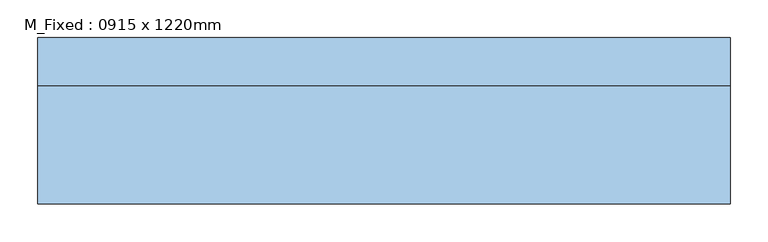
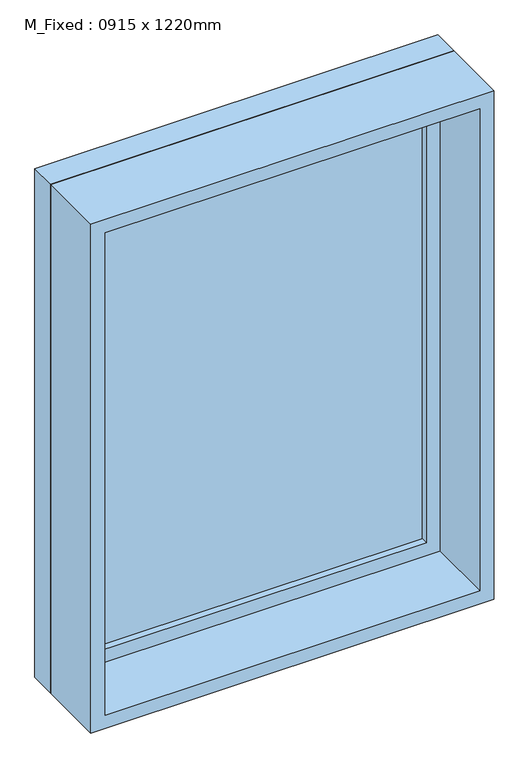
"""IFC4 building model written with IfcOpenShell, lengths in millimetres: window geometry, M_Fixed : 0915 x 1220mm."""

import ifcopenshell
import ifcopenshell.guid

model = None  # the IFC model being written
_history = None  # IfcOwnerHistory: only IFC2X3 demands one
_inside = {}  # id of a spatial element -> (the spatial element, [elements in it])
_under = {}  # id of a project, library or spatial element -> (it, [spatial elements below it])
_declared = {}  # id of a project -> (the project, [libraries it declares])
_typed = {}  # id of a type object -> (the type object, [elements of that type])
_made_of = {}  # id of a material, layer set ... -> (it, [elements and type objects made of it])


def new_model(schema):
    """Start an empty IFC model of exactly this schema.

    Asked for "IFC4X3", IfcOpenShell would pick the latest addendum, in which some entities
    have other attributes; the version numbers below select the first issue.
    IFC2X3 requires an IfcOwnerHistory on every rooted entity: one is made here for all.
    """
    global model, _history
    if schema == "IFC4X3":
        model = ifcopenshell.file(schema_version=(4, 3, 0, 0))
    else:
        model = ifcopenshell.file(schema=schema)
    _inside.clear()
    _under.clear()
    _declared.clear()
    _typed.clear()
    _made_of.clear()
    _history = None
    if model.schema == "IFC2X3":
        org = make("IfcOrganization", Name="unknown")
        user = make(
            "IfcPersonAndOrganization",
            ThePerson=make("IfcPerson", FamilyName="unknown"),
            TheOrganization=org,
        )
        app = make(
            "IfcApplication",
            ApplicationDeveloper=org,
            Version="unknown",
            ApplicationFullName="unknown",
            ApplicationIdentifier="unknown",
        )
        _history = make(
            "IfcOwnerHistory",
            OwningUser=user,
            OwningApplication=app,
            ChangeAction="ADDED",
            CreationDate=0,
        )
    return model


def make(cls, **values):
    """One entity of the class cls with the attributes given. An attribute that is None is left unset."""
    return model.create_entity(
        cls, **{name: value for name, value in values.items() if value is not None}
    )


def rooted(cls, **values):
    """An entity with a GlobalId (a new one), such as an element, a storey or a relation."""
    return make(cls, GlobalId=ifcopenshell.guid.new(), OwnerHistory=_history, **values)


def si_unit(unit_type, name, prefix=None):
    """IfcSIUnit, for example si_unit("LENGTHUNIT", "METRE", prefix="MILLI")."""
    return make("IfcSIUnit", UnitType=unit_type, Prefix=prefix, Name=name)


def assignment(units):
    """IfcUnitAssignment: the units of a project."""
    return None if units is None else make("IfcUnitAssignment", Units=units)


def point(xyz):
    """IfcCartesianPoint."""
    return None if xyz is None else make("IfcCartesianPoint", Coordinates=xyz)


def direction(xyz):
    """IfcDirection."""
    return None if xyz is None else make("IfcDirection", DirectionRatios=xyz)


def frame(location, z_axis=None, x_axis=None):
    """IfcAxis2Placement3D, a coordinate frame: its origin and axes. An axis left out is left unset."""
    return make(
        "IfcAxis2Placement3D",
        Location=point(location),
        Axis=direction(z_axis),
        RefDirection=direction(x_axis),
    )


def origin():
    """The frame at (0, 0, 0) with its axes left unset."""
    return frame((0.0, 0.0, 0.0))


def place(relative_to, where):
    """IfcLocalPlacement: puts the frame where relative to a parent placement (None: the world)."""
    return make(
        "IfcLocalPlacement", PlacementRelTo=relative_to, RelativePlacement=where
    )


def context(
    kind, dimensions, precision=None, world=None, true_north=None, identifier=None
):
    """IfcGeometricRepresentationContext, for example the 3D "Model" context."""
    return make(
        "IfcGeometricRepresentationContext",
        ContextIdentifier=identifier,
        ContextType=kind,
        CoordinateSpaceDimension=dimensions,
        Precision=precision,
        WorldCoordinateSystem=world,
        TrueNorth=true_north,
    )


def project(units=None, contexts=None):
    """IfcProject with its units and contexts."""
    return rooted(
        "IfcProject",
        Name="project",
        RepresentationContexts=contexts,
        UnitsInContext=assignment(units),
    )


def spatial(cls, under=None, at=None, **own):
    """A site, building, storey or space (cls), placed at a placement, below another one or the project."""
    s = rooted(cls, ObjectPlacement=at, **own)
    if under is not None:
        _under.setdefault(under.id(), (under, []))[1].append(s)
    return s


def polyline(points):
    """IfcPolyline through the points."""
    return make("IfcPolyline", Points=[point(p) for p in points])


def outline(outer, holes=None, kind="AREA"):
    """IfcArbitraryClosedProfileDef: a profile drawn as a closed curve; with holes, ...WithVoids."""
    if holes is None:
        return make("IfcArbitraryClosedProfileDef", ProfileType=kind, OuterCurve=outer)
    return make(
        "IfcArbitraryProfileDefWithVoids",
        ProfileType=kind,
        OuterCurve=outer,
        InnerCurves=holes,
    )


def extrude(swept, where, along, depth):
    """IfcExtrudedAreaSolid: the profile swept, set in the frame where, extruded along a direction by depth."""
    return make(
        "IfcExtrudedAreaSolid",
        SweptArea=swept,
        Position=where,
        ExtrudedDirection=direction(along),
        Depth=depth,
    )


def shape(context_of_items, identifier, shape_type, items):
    """IfcShapeRepresentation: the items that make up one representation, for example the "Body"."""
    return make(
        "IfcShapeRepresentation",
        ContextOfItems=context_of_items,
        RepresentationIdentifier=identifier,
        RepresentationType=shape_type,
        Items=items,
    )


def source(mapping_origin, context_of_items, identifier, shape_type, items):
    """IfcRepresentationMap: a shape defined once, which mapped items show again and again."""
    return make(
        "IfcRepresentationMap",
        MappingOrigin=mapping_origin,
        MappedRepresentation=shape(context_of_items, identifier, shape_type, items),
    )


def transform(
    local_origin,
    x_axis=None,
    y_axis=None,
    z_axis=None,
    scale=None,
    scale2=None,
    scale3=None,
    uniform=True,
):
    """IfcCartesianTransformationOperator3D, or its non-uniform kind. x_axis, y_axis, z_axis: its Axis1, 2, 3."""
    if uniform:
        return make(
            "IfcCartesianTransformationOperator3D",
            Axis1=direction(x_axis),
            Axis2=direction(y_axis),
            LocalOrigin=point(local_origin),
            Scale=scale,
            Axis3=direction(z_axis),
        )
    return make(
        "IfcCartesianTransformationOperator3DnonUniform",
        Axis1=direction(x_axis),
        Axis2=direction(y_axis),
        LocalOrigin=point(local_origin),
        Scale=scale,
        Axis3=direction(z_axis),
        Scale2=scale2,
        Scale3=scale3,
    )


def mapped(mapping_source, mapping_target):
    """IfcMappedItem: shows the shape of a source again, moved by a transform."""
    return make(
        "IfcMappedItem", MappingSource=mapping_source, MappingTarget=mapping_target
    )


def made_of(thing, what):
    """Note that an element or type object is made of a material, layer set ...; save() writes the relation."""
    if what is not None:
        _made_of.setdefault(what.id(), (what, []))[1].append(thing)
    return thing


def element(
    cls,
    number,
    at=None,
    inside=None,
    cuts=None,
    type_object=None,
    material=None,
    context=None,
    identifier="Body",
    shape_type=None,
    held_by="IfcProductDefinitionShape",
    body=None,
    shapes=None,
    **own,
):
    """One element of the class cls, such as IfcWall. Its Tag is "e" and its number.

    at: its placement. inside: the storey or other place that contains it. cuts: it is an
    opening in that element (IfcRelVoidsElement). A single representation is given by context,
    identifier, shape_type and body (its items); several are given by shapes. held_by: the class
    of the entity that holds the representations. save() writes the other relations.
    """
    e = rooted(cls, Tag="e%d" % number, ObjectPlacement=at, **own)
    if body is not None:
        shapes = [shape(context, identifier, shape_type, body)]
    if shapes is not None:
        e.Representation = make(held_by, Representations=shapes)
    if inside is not None:
        _inside.setdefault(inside.id(), (inside, []))[1].append(e)
    if cuts is not None:
        rooted(
            "IfcRelVoidsElement", RelatingBuildingElement=cuts, RelatedOpeningElement=e
        )
    if type_object is not None:
        _typed.setdefault(type_object.id(), (type_object, []))[1].append(e)
    return made_of(e, material)


def aggregate(whole, parts):
    """IfcRelAggregates: a whole, such as a stair, and the parts it consists of."""
    return rooted("IfcRelAggregates", RelatingObject=whole, RelatedObjects=parts)


def save(model, path):
    """Write the relations noted so far, then the file.

    IfcRelAggregates (storeys below a building ...), IfcRelContainedInSpatialStructure (elements
    in a storey), IfcRelDefinesByType, IfcRelAssociatesMaterial and IfcRelDeclares: one each for
    every whole, place, type object, material and project.
    """
    for whole, parts in _under.values():
        aggregate(whole, parts)
    for where, things in _inside.values():
        rooted(
            "IfcRelContainedInSpatialStructure",
            RelatedElements=things,
            RelatingStructure=where,
        )
    for kind, things in _typed.values():
        rooted("IfcRelDefinesByType", RelatedObjects=things, RelatingType=kind)
    for what, things in _made_of.values():
        rooted("IfcRelAssociatesMaterial", RelatedObjects=things, RelatingMaterial=what)
    for by, libraries in _declared.values():
        rooted("IfcRelDeclares", RelatingContext=by, RelatedDefinitions=libraries)
    model.write(path)


def m_fixed_0915_x_1220mm_339f84ff(model_context):
    return source(origin(), model_context, "Body", "SweptSolid", [
        extrude(outline(polyline([(-394.5, 88.0), (394.5, 88.0), (394.5, 76.0), (-394.5, 76.0), (-394.5, 88.0)])), frame((0.0, 0.0, 978.0), z_axis=(0.0, 0.0, 1.0), x_axis=(1.0, 0.0, 0.0)), (0.0, 0.0, 1.0), 1094.0),
        extrude(outline(polyline([(2116.0, -438.5), (934.0, -438.5), (934.0, 438.5), (2116.0, 438.5), (2116.0, -438.5)]), holes=[polyline([(2072.0, -394.5), (2072.0, 394.5), (978.0, 394.5), (978.0, -394.5), (2072.0, -394.5)])]), frame((0.0, 60.0, 0.0), z_axis=(0.0, 1.0, 0.0), x_axis=(0.0, 0.0, 1.0)), (0.0, 0.0, 1.0), 44.0),
        extrude(outline(polyline([(2135.0, -457.5), (915.0, -457.5), (915.0, 457.5), (2135.0, 457.5), (2135.0, -457.5)]), holes=[polyline([(2116.0, -438.5), (2116.0, 438.5), (934.0, 438.5), (934.0, -438.5), (2116.0, -438.5)])]), frame((0.0, 60.0, 0.0), z_axis=(0.0, 1.0, 0.0), x_axis=(0.0, 0.0, 1.0)), (0.0, 0.0, 1.0), 63.0),
        extrude(outline(polyline([(2135.0, -457.5), (915.0, -457.5), (915.0, 457.5), (2135.0, 457.5), (2135.0, -457.5)]), holes=[polyline([(2103.0, -425.5), (2103.0, 425.5), (947.0, 425.5), (947.0, -425.5), (2103.0, -425.5)])]), frame((0.0, -97.0, 0.0), z_axis=(0.0, 1.0, 0.0), x_axis=(0.0, 0.0, 1.0)), (0.0, 0.0, 1.0), 157.0),
    ])


if __name__ == "__main__":
    model = new_model("IFC4")
    model_context = context("Model", 3, world=origin())
    ifc_project = project(units=[si_unit("LENGTHUNIT", "METRE", prefix="MILLI")], contexts=[model_context])
    site = spatial("IfcSite", under=ifc_project)
    building = spatial("IfcBuilding", under=site)
    placement = place(None, origin())
    m_fixed_0915_x_1220mm_shape = m_fixed_0915_x_1220mm_339f84ff(model_context)
    element("IfcWindow", 1, ObjectType="M_Fixed : 0915 x 1220mm", at=placement, inside=building, context=model_context, shape_type="MappedRepresentation", body=[
        mapped(m_fixed_0915_x_1220mm_shape, transform((0.0, 0.0, 0.0), x_axis=(1.0, 0.0, 0.0), y_axis=(0.0, 1.0, 0.0), z_axis=(0.0, 0.0, 1.0))),
    ])
    save(model, "model.ifc")
